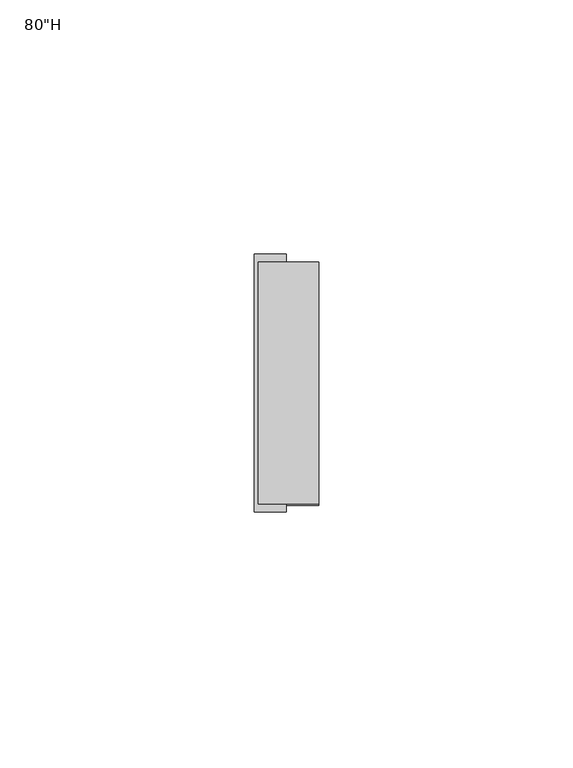
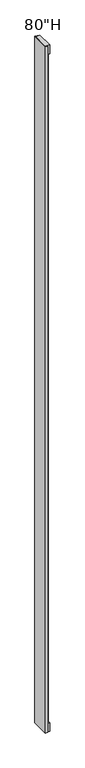
"""IFC4 building model written with IfcOpenShell, lengths in millimetres: furniture geometry."""

from ifc_helpers import new_model, si_unit, frame, origin, place, context, project, spatial, polyline, outline, extrude, source, transform, mapped, element, save


def furniture_a83249f3(model_context):
    return source(origin(), model_context, "Body", "SweptSolid", [
        extrude(outline(polyline([(-5.55625, -23.7998), (-5.55625, 23.7998), (0.80645, 23.7998), (6.35, 18.25625), (6.35, -18.25625), (0.80645, -23.7998), (-5.55625, -23.7998)])), frame((0.0, 0.0, 34.925), z_axis=(0.0, 0.0, 1.0), x_axis=(1.0, 0.0, 0.0)), (0.0, 0.0, 1.0), 1981.2),
        extrude(outline(polyline([(6.35, 23.7998), (6.35, -23.7998), (-5.55625, -23.7998), (-5.55625, 23.7998), (6.35, 23.7998)])), frame((0.0, 0.0, 2016.125), z_axis=(0.0, 0.0, 1.0), x_axis=(1.0, 0.0, 0.0)), (0.0, 0.0, 1.0), 25.4),
        extrude(outline(polyline([(6.35, 23.7998), (6.35, -23.7998), (-5.55625, -23.7998), (-5.55625, 23.7998), (6.35, 23.7998)])), frame((0.0, 0.0, 9.525), z_axis=(0.0, 0.0, 1.0), x_axis=(1.0, 0.0, 0.0)), (0.0, 0.0, 1.0), 25.4),
        extrude(outline(polyline([(0.0, 25.4), (0.0, 23.7998), (-5.55625, 23.7998), (-5.55625, -23.7998), (0.0, -23.7998), (0.0, -25.4), (-6.35, -25.4), (-6.35, 25.4), (0.0, 25.4)])), frame((0.0, 0.0, 9.525), z_axis=(0.0, 0.0, 1.0), x_axis=(1.0, 0.0, 0.0)), (0.0, 0.0, 1.0), 2032.0),
    ])


if __name__ == "__main__":
    model = new_model("IFC4")
    model_context = context("Model", 3, world=origin())
    ifc_project = project(units=[si_unit("LENGTHUNIT", "METRE", prefix="MILLI")], contexts=[model_context])
    site = spatial("IfcSite", under=ifc_project)
    building = spatial("IfcBuilding", under=site)
    placement = place(None, origin())
    furniture_shape = furniture_a83249f3(model_context)
    element("IfcFurniture", 1, ObjectType="80\"H", at=placement, inside=building, context=model_context, shape_type="MappedRepresentation", body=[
        mapped(furniture_shape, transform((0.0, 0.0, 0.0), x_axis=(1.0, 0.0, 0.0), y_axis=(0.0, 1.0, 0.0), z_axis=(0.0, 0.0, 1.0))),
    ])
    save(model, "model.ifc")
